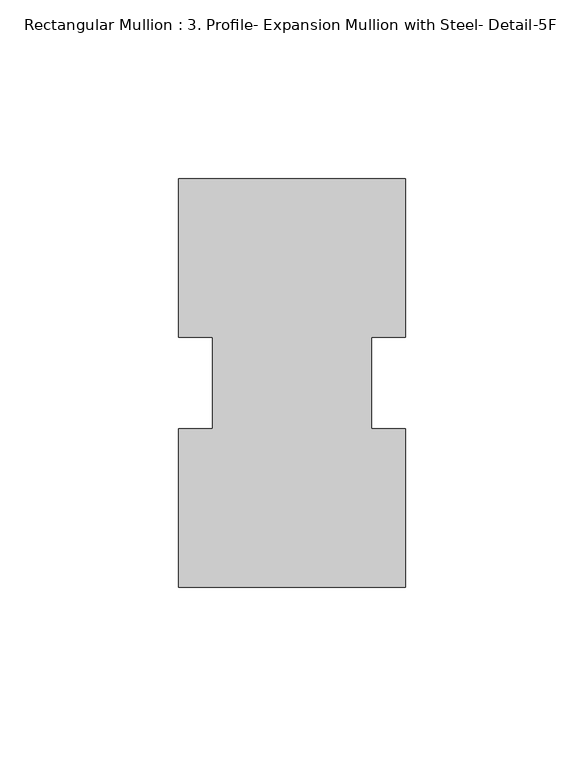
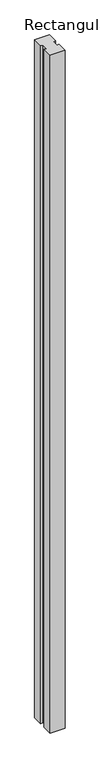
"""IFC4 building model written with IfcOpenShell, lengths in millimetres: member geometry, Rectangular Mullion : 3. Profile- Expansion Mullion with Steel- Detail-5F."""

from ifc_helpers import new_model, si_unit, frame, origin, place, context, project, spatial, polyline, outline, extrude, source, transform, mapped, element, save


def rectangular_mullion_3_profile_expansion_mullion_with_steel_7fdb62fe(model_context):
    return source(origin(), model_context, "Body", "SweptSolid", [
        extrude(outline(polyline([(31.75, 33.3808904), (31.75, -11.0140435), (22.225, -11.0140435), (22.225, -36.5017419), (31.75, -36.5017419), (31.75, -80.9191096), (-31.75, -80.9189826), (-31.75, -36.5017419), (-22.225, -36.5017419), (-22.225, -11.0140435), (-31.75, -11.0140435), (-31.75, 33.3810174), (31.75, 33.3808904)])), frame((0.0, 0.0, -3048.0), z_axis=(0.0, 0.0, 1.0), x_axis=(1.0, 0.0, 0.0)), (0.0, 0.0, 1.0), 3048.0),
    ])


if __name__ == "__main__":
    model = new_model("IFC4")
    model_context = context("Model", 3, world=origin())
    ifc_project = project(units=[si_unit("LENGTHUNIT", "METRE", prefix="MILLI")], contexts=[model_context])
    site = spatial("IfcSite", under=ifc_project)
    building = spatial("IfcBuilding", under=site)
    placement = place(None, origin())
    rectangular_mullion_3_profile_expansion_mullion_with_steel_shape = rectangular_mullion_3_profile_expansion_mullion_with_steel_7fdb62fe(model_context)
    element("IfcMember", 1, ObjectType="Rectangular Mullion : 3. Profile- Expansion Mullion with Steel- Detail-5F", at=placement, inside=building, context=model_context, shape_type="MappedRepresentation", body=[
        mapped(rectangular_mullion_3_profile_expansion_mullion_with_steel_shape, transform((0.0, 0.0, 0.0), x_axis=(1.0, 0.0, 0.0), y_axis=(0.0, 1.0, 0.0), z_axis=(0.0, 0.0, 1.0))),
    ])
    save(model, "model.ifc")
